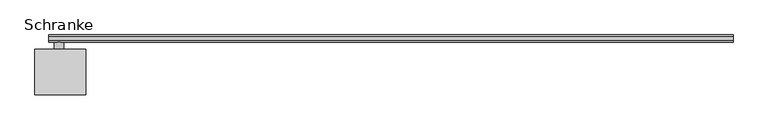
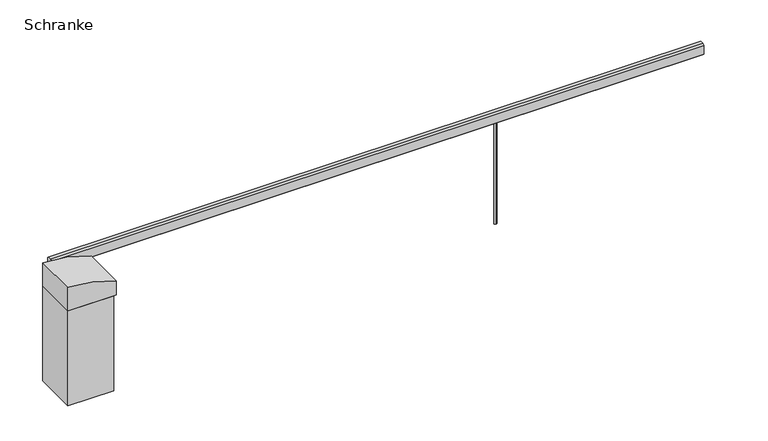
"""IFC4 building model written with IfcOpenShell, lengths in millimetres: furniture geometry, Schranke."""

from ifc_helpers import new_model, si_unit, point, frame, frame_2d, origin, origin_with_axes, place, context, project, spatial, polyline, circle_curve, trimmed, segment, composite_curve, outline, extrude, source, transform, mapped, element, save


def schranke_b51c6722(model_context):
    return source(origin(), model_context, "Body", "SweptSolid", [
        extrude(outline(composite_curve([segment(trimmed(circle_curve(frame_2d((3518.3333333, 257.4551962)), 10.0), [point((3518.3333333, 267.4551962))], [point((3518.3333333, 247.4551962))], False, "CARTESIAN"), True, "CONTINUOUS"), segment(trimmed(circle_curve(frame_2d((3518.3333333, 257.4551962)), 10.0), [point((3518.3333333, 247.4551962))], [point((3518.3333333, 267.4551962))], False, "CARTESIAN"), True, "CONTINUOUS")], self_intersect=False)), origin_with_axes(), (0.0, 0.0, 1.0), 880.0),
        extrude(outline(composite_curve([segment(trimmed(circle_curve(frame_2d((915.0, 0.0)), 35.0), [point((915.0, 35.0))], [point((915.0, -35.0))], False, "CARTESIAN"), True, "CONTINUOUS"), segment(trimmed(circle_curve(frame_2d((915.0, 0.0)), 35.0), [point((915.0, -35.0))], [point((915.0, 35.0))], False, "CARTESIAN"), True, "CONTINUOUS")], self_intersect=False)), frame((0.0, 175.0, 0.0), z_axis=(0.0, 1.0, 0.0), x_axis=(0.0, 0.0, 1.0)), (0.0, 0.0, 1.0), 55.0),
        extrude(outline(polyline([(285.0, 950.0), (285.0, 880.0), (270.0, 865.0), (245.0, 865.0), (230.0, 880.0), (230.0, 950.0), (245.0, 965.0), (270.0, 965.0), (285.0, 950.0)])), frame((-80.0, 0.0, 0.0), z_axis=(1.0, 0.0, 0.0), x_axis=(0.0, 1.0, 0.0)), (0.0, 0.0, 1.0), 5265.0),
        extrude(outline(composite_curve([segment(polyline([(1010.0, -185.0), (810.0, -185.0), (810.0, 205.0), (930.0, 205.0)]), True, "CONTINUOUS"), segment(trimmed(circle_curve(frame_2d((19.375, -185.0)), 990.625), [point((930.0, 205.0))], [point((1010.0, -185.0))], False, "CARTESIAN"), True, "CONTINUOUS")], self_intersect=False)), frame((0.0, -175.0, 0.0), z_axis=(0.0, 1.0, 0.0), x_axis=(0.0, 0.0, 1.0)), (0.0, 0.0, 1.0), 350.0),
        extrude(outline(polyline([(-185.0, 175.0), (185.0, 175.0), (185.0, -175.0), (-185.0, -175.0), (-185.0, 175.0)])), origin_with_axes(), (0.0, 0.0, 1.0), 810.0),
    ])


if __name__ == "__main__":
    model = new_model("IFC4")
    model_context = context("Model", 3, world=origin())
    ifc_project = project(units=[si_unit("LENGTHUNIT", "METRE", prefix="MILLI")], contexts=[model_context])
    site = spatial("IfcSite", under=ifc_project)
    building = spatial("IfcBuilding", under=site)
    placement = place(None, origin())
    schranke_shape = schranke_b51c6722(model_context)
    element("IfcFurniture", 1, ObjectType="Schranke", at=placement, inside=building, context=model_context, shape_type="MappedRepresentation", body=[
        mapped(schranke_shape, transform((0.0, 0.0, 0.0), x_axis=(1.0, 0.0, 0.0), y_axis=(0.0, 1.0, 0.0), z_axis=(0.0, 0.0, 1.0))),
    ])
    save(model, "model.ifc")
